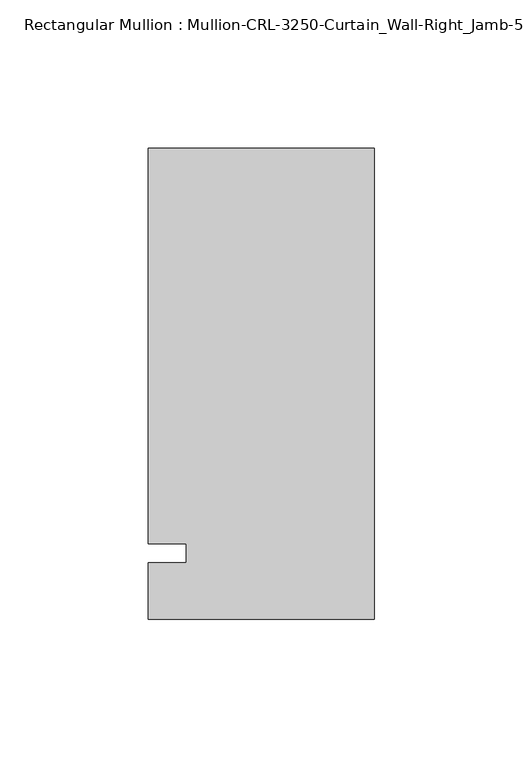
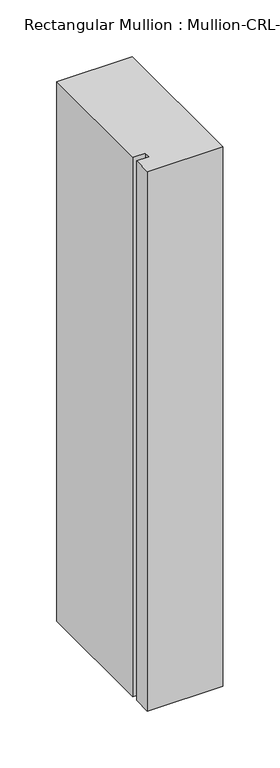
"""IFC4 building model written with IfcOpenShell, lengths in millimetres: member geometry."""

from ifc_helpers import new_model, si_unit, frame, origin, place, context, project, spatial, polyline, outline, extrude, source, transform, mapped, element, save


def member_dcfc0cce(model_context):
    return source(origin(), model_context, "Body", "SweptSolid", [
        extrude(outline(polyline([(0.0, -22.2254168), (-76.199997, -22.2254168), (-76.199997, -3.175), (-63.499997, -3.175), (-63.499997, 3.175), (-76.199997, 3.175), (-76.199997, 136.5240673), (0.0, 136.5240673), (0.0, -22.2254168)])), frame((0.0, 0.0, -577.85), z_axis=(0.0, 0.0, 1.0), x_axis=(1.0, 0.0, 0.0)), (0.0, 0.0, 1.0), 577.85),
    ])


if __name__ == "__main__":
    model = new_model("IFC4")
    model_context = context("Model", 3, world=origin())
    ifc_project = project(units=[si_unit("LENGTHUNIT", "METRE", prefix="MILLI")], contexts=[model_context])
    site = spatial("IfcSite", under=ifc_project)
    building = spatial("IfcBuilding", under=site)
    placement = place(None, origin())
    member_shape = member_dcfc0cce(model_context)
    element("IfcMember", 1, ObjectType="Rectangular Mullion : Mullion-CRL-3250-Curtain_Wall-Right_Jamb-5\"", at=placement, inside=building, context=model_context, shape_type="MappedRepresentation", body=[
        mapped(member_shape, transform((0.0, 0.0, 0.0), x_axis=(1.0, 0.0, 0.0), y_axis=(0.0, 1.0, 0.0), z_axis=(0.0, 0.0, 1.0))),
    ])
    save(model, "model.ifc")
